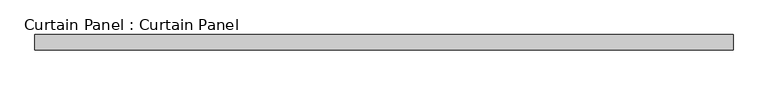
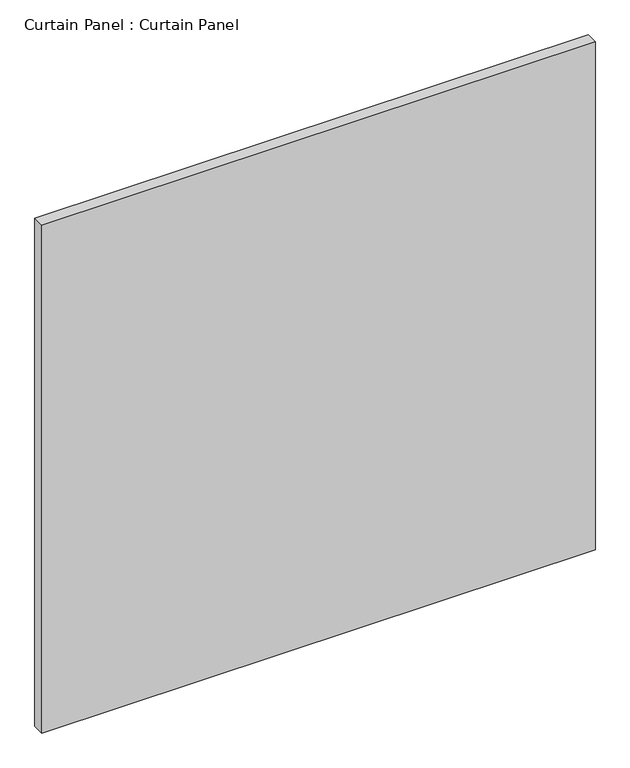
"""IFC4 building model written with IfcOpenShell, lengths in millimetres: plate geometry, Curtain Panel : Curtain Panel."""

from ifc_helpers import new_model, si_unit, frame, origin, place, context, project, spatial, polyline, outline, extrude, source, transform, mapped, element, save


def curtain_panel_curtain_panel_9166d378(model_context):
    return source(origin(), model_context, "Body", "SweptSolid", [
        extrude(outline(polyline([(-256948.3774652, -494.5574136), (-258104.0774652, -494.5574136), (-258104.0774652, -469.1574136), (-256948.3774652, -469.1574136), (-256948.3774652, -494.5574136)])), frame((0.0, 0.0, -1201.7345949), z_axis=(0.0, 0.0, 1.0), x_axis=(1.0, 0.0, 0.0)), (0.0, 0.0, 1.0), 1120.7720952),
    ])


if __name__ == "__main__":
    model = new_model("IFC4")
    model_context = context("Model", 3, world=origin())
    ifc_project = project(units=[si_unit("LENGTHUNIT", "METRE", prefix="MILLI")], contexts=[model_context])
    site = spatial("IfcSite", under=ifc_project)
    building = spatial("IfcBuilding", under=site)
    placement = place(None, origin())
    curtain_panel_curtain_panel_shape = curtain_panel_curtain_panel_9166d378(model_context)
    element("IfcPlate", 1, ObjectType="Curtain Panel : Curtain Panel", at=placement, inside=building, context=model_context, shape_type="MappedRepresentation", body=[
        mapped(curtain_panel_curtain_panel_shape, transform((0.0, 0.0, 0.0), x_axis=(1.0, 0.0, 0.0), y_axis=(0.0, 1.0, 0.0), z_axis=(0.0, 0.0, 1.0))),
    ])
    save(model, "model.ifc")
